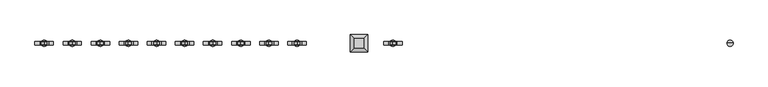
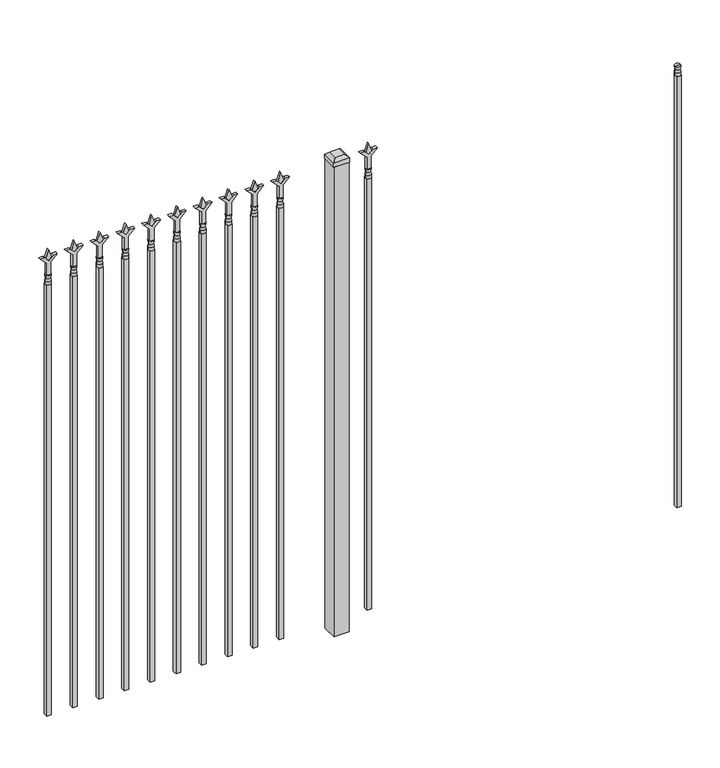
"""IFC4 building model written with IfcOpenShell, lengths in millimetres: railing geometry."""

from ifc_helpers import new_model, si_unit, frame, origin, origin_with_axes, place, context, project, spatial, polyline, circle_curve, outline, extrude, faceted_brep, source, transform, mapped, element, save
from ifc_brep_helpers import plane_surface, cylinder_surface, revolved_surface, advanced_brep


def railing_9813d6b2(model_context):
    return source(origin(), model_context, "Body", "SolidModel", [
        advanced_brep(
        [(-58315.574337, 3022.3429826, 1993.9), (-58339.386837, 3022.3429826, 1993.9), (-58339.386837, 3022.3429826, 1981.2), (-58315.574337, 3022.3429826, 1981.2), (-58317.7796688, 3022.3429826, 2006.4070585), (-58337.1815051, 3022.3429826, 2006.4070585), (-58315.574337, 3022.3429826, 2022.475), (-58339.386837, 3022.3429826, 2022.475), (-58327.480587, 3022.3429826, 2022.475), (-58327.480587, 3022.3429826, 1981.2)],
        [
            (0, 1, circle_curve(frame((-58327.480587, 3022.3429826, 1993.9), z_axis=(0.0, 0.0, -1.0), x_axis=(-1.0, 0.0, 0.0)), 11.90625)),
            (1, 2),
            (2, 3, circle_curve(frame((-58327.480587, 3022.3429826, 1981.2), z_axis=(0.0, 0.0, 1.0), x_axis=(-1.0, 0.0, 0.0)), 11.90625)),
            (3, 0),
            (1, 0, circle_curve(frame((-58327.480587, 3022.3429826, 1993.9), z_axis=(0.0, 0.0, -1.0), x_axis=(-1.0, 0.0, 0.0)), 11.90625)),
            (3, 2, circle_curve(frame((-58327.480587, 3022.3429826, 1981.2), z_axis=(0.0, 0.0, 1.0), x_axis=(-1.0, 0.0, 0.0)), 11.90625)),
            (4, 5, circle_curve(frame((-58327.480587, 3022.3429826, 2006.4070585), z_axis=(0.0, 0.0, -1.0), x_axis=(-1.0, 0.0, 0.0)), 9.7009181)),
            (5, 1),
            (0, 4),
            (5, 4, circle_curve(frame((-58327.480587, 3022.3429826, 2006.4070585), z_axis=(0.0, 0.0, -1.0), x_axis=(-1.0, 0.0, 0.0)), 9.7009181)),
            (6, 7, circle_curve(frame((-58327.480587, 3022.3429826, 2022.475), z_axis=(0.0, 0.0, -1.0), x_axis=(-1.0, 0.0, 0.0)), 11.90625)),
            (7, 5),
            (4, 6),
            (7, 6, circle_curve(frame((-58327.480587, 3022.3429826, 2022.475), z_axis=(0.0, 0.0, -1.0), x_axis=(-1.0, 0.0, 0.0)), 11.90625)),
            (8, 7),
            (6, 8),
            (2, 9),
            (9, 3),
        ],
        [
            cylinder_surface(frame((-58327.480587, 3022.3429826, 1981.2), z_axis=(0.0, 0.0, 1.0), x_axis=(-1.0, 0.0, 0.0)), 11.90625),
            revolved_surface(polyline([(-58339.386837, 3022.3429826, 1993.9), (-58337.1815051, 3022.3429826, 2006.4070585)]), (-58327.480587, 3022.3429826, 1981.2), (0.0, 0.0, 1.0)),
            revolved_surface(polyline([(-58337.1815051, 3022.3429826, 2006.4070585), (-58339.386837, 3022.3429826, 2022.475)]), (-58327.480587, 3022.3429826, 1981.2), (0.0, 0.0, 1.0)),
            plane_surface(frame((-58327.480587, 3022.3429826, 2022.475), z_axis=(0.0, 0.0, 1.0), x_axis=(-1.0, 0.0, 0.0))),
            plane_surface(frame((-58327.480587, 3022.3429826, 1981.2), z_axis=(0.0, 0.0, -1.0), x_axis=(-1.0, 0.0, 0.0))),
        ],
        [
            (0, [[1, 2, 3, 4]]),
            (0, [[5, -4, 6, -2]]),
            (1, [[7, 8, -1, 9]]),
            (1, [[10, -9, -5, -8]]),
            (2, [[11, 12, -7, 13]]),
            (2, [[14, -13, -10, -12]]),
            (3, [[15, -11, 16]]),
            (3, [[-16, -14, -15]]),
            (4, [[-3, 17, 18]]),
            (4, [[-6, -18, -17]]),
        ],
    ),
        extrude(outline(polyline([(-58337.005587, 3031.8679826), (-58317.955587, 3031.8679826), (-58317.955587, 3012.8179826), (-58337.005587, 3012.8179826), (-58337.005587, 3031.8679826)])), frame((0.0, 0.0, 50.8), z_axis=(0.0, 0.0, 1.0), x_axis=(1.0, 0.0, 0.0)), (0.0, 0.0, 1.0), 1930.4),
        extrude(outline(polyline([(2097.88125, -59626.849337), (2133.6, -59638.755587), (2097.88125, -59650.661837), (2085.975, -59638.755587), (2097.88125, -59626.849337)])), frame((0.0, 3017.5804826, 0.0), z_axis=(0.0, 1.0, 0.0), x_axis=(0.0, 0.0, 1.0)), (0.0, 0.0, 1.0), 9.525),
        extrude(outline(polyline([(2022.475, -59630.024337), (2076.7457378, -59630.024337), (2103.9355122, -59602.8345625), (2103.9355122, -59620.7950747), (2085.975, -59638.755587), (2103.9355122, -59656.7160992), (2103.9355122, -59674.6766114), (2076.7457378, -59647.486837), (2022.475, -59647.486837), (2022.475, -59630.024337)])), frame((0.0, 3015.9929826, 0.0), z_axis=(0.0, 1.0, 0.0), x_axis=(0.0, 0.0, 1.0)), (0.0, 0.0, 1.0), 12.7),
        advanced_brep(
        [(-59626.849337, 3022.3429826, 1993.9), (-59650.661837, 3022.3429826, 1993.9), (-59650.661837, 3022.3429826, 1981.2), (-59626.849337, 3022.3429826, 1981.2), (-59629.0546688, 3022.3429826, 2006.4070585), (-59648.4565051, 3022.3429826, 2006.4070585), (-59626.849337, 3022.3429826, 2022.475), (-59650.661837, 3022.3429826, 2022.475), (-59638.755587, 3022.3429826, 2022.475), (-59638.755587, 3022.3429826, 1981.2)],
        [
            (0, 1, circle_curve(frame((-59638.755587, 3022.3429826, 1993.9), z_axis=(0.0, 0.0, -1.0), x_axis=(-1.0, 0.0, 0.0)), 11.90625)),
            (1, 2),
            (2, 3, circle_curve(frame((-59638.755587, 3022.3429826, 1981.2), z_axis=(0.0, 0.0, 1.0), x_axis=(-1.0, 0.0, 0.0)), 11.90625)),
            (3, 0),
            (1, 0, circle_curve(frame((-59638.755587, 3022.3429826, 1993.9), z_axis=(0.0, 0.0, -1.0), x_axis=(-1.0, 0.0, 0.0)), 11.90625)),
            (3, 2, circle_curve(frame((-59638.755587, 3022.3429826, 1981.2), z_axis=(0.0, 0.0, 1.0), x_axis=(-1.0, 0.0, 0.0)), 11.90625)),
            (4, 5, circle_curve(frame((-59638.755587, 3022.3429826, 2006.4070585), z_axis=(0.0, 0.0, -1.0), x_axis=(-1.0, 0.0, 0.0)), 9.7009181)),
            (5, 1),
            (0, 4),
            (5, 4, circle_curve(frame((-59638.755587, 3022.3429826, 2006.4070585), z_axis=(0.0, 0.0, -1.0), x_axis=(-1.0, 0.0, 0.0)), 9.7009181)),
            (6, 7, circle_curve(frame((-59638.755587, 3022.3429826, 2022.475), z_axis=(0.0, 0.0, -1.0), x_axis=(-1.0, 0.0, 0.0)), 11.90625)),
            (7, 5),
            (4, 6),
            (7, 6, circle_curve(frame((-59638.755587, 3022.3429826, 2022.475), z_axis=(0.0, 0.0, -1.0), x_axis=(-1.0, 0.0, 0.0)), 11.90625)),
            (8, 7),
            (6, 8),
            (2, 9),
            (9, 3),
        ],
        [
            cylinder_surface(frame((-59638.755587, 3022.3429826, 1981.2), z_axis=(0.0, 0.0, 1.0), x_axis=(-1.0, 0.0, 0.0)), 11.90625),
            revolved_surface(polyline([(-59650.661837, 3022.3429826, 1993.9), (-59648.4565051, 3022.3429826, 2006.4070585)]), (-59638.755587, 3022.3429826, 1981.2), (0.0, 0.0, 1.0)),
            revolved_surface(polyline([(-59648.4565051, 3022.3429826, 2006.4070585), (-59650.661837, 3022.3429826, 2022.475)]), (-59638.755587, 3022.3429826, 1981.2), (0.0, 0.0, 1.0)),
            plane_surface(frame((-59638.755587, 3022.3429826, 2022.475), z_axis=(0.0, 0.0, 1.0), x_axis=(-1.0, 0.0, 0.0))),
            plane_surface(frame((-59638.755587, 3022.3429826, 1981.2), z_axis=(0.0, 0.0, -1.0), x_axis=(-1.0, 0.0, 0.0))),
        ],
        [
            (0, [[1, 2, 3, 4]]),
            (0, [[5, -4, 6, -2]]),
            (1, [[7, 8, -1, 9]]),
            (1, [[10, -9, -5, -8]]),
            (2, [[11, 12, -7, 13]]),
            (2, [[14, -13, -10, -12]]),
            (3, [[15, -11, 16]]),
            (3, [[-16, -14, -15]]),
            (4, [[-3, 17, 18]]),
            (4, [[-6, -18, -17]]),
        ],
    ),
        extrude(outline(polyline([(-59648.280587, 3031.8679826), (-59629.230587, 3031.8679826), (-59629.230587, 3012.8179826), (-59648.280587, 3012.8179826), (-59648.280587, 3031.8679826)])), frame((0.0, 0.0, 50.8), z_axis=(0.0, 0.0, 1.0), x_axis=(1.0, 0.0, 0.0)), (0.0, 0.0, 1.0), 1930.4),
        extrude(outline(polyline([(-59738.768087, 3054.0929826), (-59738.768087, 2990.5929826), (-59802.268087, 2990.5929826), (-59802.268087, 3054.0929826), (-59738.768087, 3054.0929826)])), origin_with_axes(), (0.0, 0.0, 1.0), 2101.85),
        faceted_brep([(-59803.855587, 3055.6804826, 2120.9), (-59803.855587, 3055.6804826, 2101.85), (-59803.855587, 2989.0054826, 2101.85), (-59803.855587, 2989.0054826, 2120.9), (-59791.155587, 3042.9804826, 2133.6), (-59791.155587, 3001.7054826, 2133.6), (-59737.180587, 2989.0054826, 2101.85), (-59737.180587, 2989.0054826, 2120.9), (-59749.880587, 3001.7054826, 2133.6), (-59737.180587, 3055.6804826, 2101.85), (-59737.180587, 3055.6804826, 2120.9), (-59749.880587, 3042.9804826, 2133.6)], [[[0, 1, 2, 3]], [[4, 0, 3, 5]], [[3, 2, 6, 7]], [[5, 3, 7, 8]], [[7, 6, 9, 10]], [[8, 7, 10, 11]], [[10, 9, 1, 0]], [[11, 10, 0, 4]], [[5, 8, 11, 4]], [[1, 9, 6, 2]]]),
        extrude(outline(polyline([(2097.88125, -59999.6472536), (2133.6, -60011.5535036), (2097.88125, -60023.4597536), (2085.975, -60011.5535036), (2097.88125, -59999.6472536)])), frame((0.0, 3017.5804826, 0.0), z_axis=(0.0, 1.0, 0.0), x_axis=(0.0, 0.0, 1.0)), (0.0, 0.0, 1.0), 9.525),
        extrude(outline(polyline([(2022.475, -60002.8222536), (2076.7457378, -60002.8222536), (2103.9355122, -59975.6324791), (2103.9355122, -59993.5929914), (2085.975, -60011.5535036), (2103.9355122, -60029.5140159), (2103.9355122, -60047.4745281), (2076.7457378, -60020.2847536), (2022.475, -60020.2847536), (2022.475, -60002.8222536)])), frame((0.0, 3015.9929826, 0.0), z_axis=(0.0, 1.0, 0.0), x_axis=(0.0, 0.0, 1.0)), (0.0, 0.0, 1.0), 12.7),
        advanced_brep(
        [(-59999.6472536, 3022.3429826, 1993.9), (-60023.4597536, 3022.3429826, 1993.9), (-60023.4597536, 3022.3429826, 1981.2), (-59999.6472536, 3022.3429826, 1981.2), (-60001.8525855, 3022.3429826, 2006.4070585), (-60021.2544218, 3022.3429826, 2006.4070585), (-59999.6472536, 3022.3429826, 2022.475), (-60023.4597536, 3022.3429826, 2022.475), (-60011.5535036, 3022.3429826, 2022.475), (-60011.5535036, 3022.3429826, 1981.2)],
        [
            (0, 1, circle_curve(frame((-60011.5535036, 3022.3429826, 1993.9), z_axis=(0.0, 0.0, -1.0), x_axis=(-1.0, 0.0, 0.0)), 11.90625)),
            (1, 2),
            (2, 3, circle_curve(frame((-60011.5535036, 3022.3429826, 1981.2), z_axis=(0.0, 0.0, 1.0), x_axis=(-1.0, 0.0, 0.0)), 11.90625)),
            (3, 0),
            (1, 0, circle_curve(frame((-60011.5535036, 3022.3429826, 1993.9), z_axis=(0.0, 0.0, -1.0), x_axis=(-1.0, 0.0, 0.0)), 11.90625)),
            (3, 2, circle_curve(frame((-60011.5535036, 3022.3429826, 1981.2), z_axis=(0.0, 0.0, 1.0), x_axis=(-1.0, 0.0, 0.0)), 11.90625)),
            (4, 5, circle_curve(frame((-60011.5535036, 3022.3429826, 2006.4070585), z_axis=(0.0, 0.0, -1.0), x_axis=(-1.0, 0.0, 0.0)), 9.7009181)),
            (5, 1),
            (0, 4),
            (5, 4, circle_curve(frame((-60011.5535036, 3022.3429826, 2006.4070585), z_axis=(0.0, 0.0, -1.0), x_axis=(-1.0, 0.0, 0.0)), 9.7009181)),
            (6, 7, circle_curve(frame((-60011.5535036, 3022.3429826, 2022.475), z_axis=(0.0, 0.0, -1.0), x_axis=(-1.0, 0.0, 0.0)), 11.90625)),
            (7, 5),
            (4, 6),
            (7, 6, circle_curve(frame((-60011.5535036, 3022.3429826, 2022.475), z_axis=(0.0, 0.0, -1.0), x_axis=(-1.0, 0.0, 0.0)), 11.90625)),
            (8, 7),
            (6, 8),
            (2, 9),
            (9, 3),
        ],
        [
            cylinder_surface(frame((-60011.5535036, 3022.3429826, 1981.2), z_axis=(0.0, 0.0, 1.0), x_axis=(-1.0, 0.0, 0.0)), 11.90625),
            revolved_surface(polyline([(-60023.4597536, 3022.3429826, 1993.9), (-60021.2544218, 3022.3429826, 2006.4070585)]), (-60011.5535036, 3022.3429826, 1981.2), (0.0, 0.0, 1.0)),
            revolved_surface(polyline([(-60021.2544218, 3022.3429826, 2006.4070585), (-60023.4597536, 3022.3429826, 2022.475)]), (-60011.5535036, 3022.3429826, 1981.2), (0.0, 0.0, 1.0)),
            plane_surface(frame((-60011.5535036, 3022.3429826, 2022.475), z_axis=(0.0, 0.0, 1.0), x_axis=(-1.0, 0.0, 0.0))),
            plane_surface(frame((-60011.5535036, 3022.3429826, 1981.2), z_axis=(0.0, 0.0, -1.0), x_axis=(-1.0, 0.0, 0.0))),
        ],
        [
            (0, [[1, 2, 3, 4]]),
            (0, [[5, -4, 6, -2]]),
            (1, [[7, 8, -1, 9]]),
            (1, [[10, -9, -5, -8]]),
            (2, [[11, 12, -7, 13]]),
            (2, [[14, -13, -10, -12]]),
            (3, [[15, -11, 16]]),
            (3, [[-16, -14, -15]]),
            (4, [[-3, 17, 18]]),
            (4, [[-6, -18, -17]]),
        ],
    ),
        extrude(outline(polyline([(-60021.0785036, 3031.8679826), (-60002.0285036, 3031.8679826), (-60002.0285036, 3012.8179826), (-60021.0785036, 3012.8179826), (-60021.0785036, 3031.8679826)])), frame((0.0, 0.0, 50.8), z_axis=(0.0, 0.0, 1.0), x_axis=(1.0, 0.0, 0.0)), (0.0, 0.0, 1.0), 1930.4),
        extrude(outline(polyline([(2097.88125, -60108.9201703), (2133.6, -60120.8264203), (2097.88125, -60132.7326703), (2085.975, -60120.8264203), (2097.88125, -60108.9201703)])), frame((0.0, 3017.5804826, 0.0), z_axis=(0.0, 1.0, 0.0), x_axis=(0.0, 0.0, 1.0)), (0.0, 0.0, 1.0), 9.525),
        extrude(outline(polyline([(2022.475, -60112.0951703), (2076.7457378, -60112.0951703), (2103.9355122, -60084.9053958), (2103.9355122, -60102.8659081), (2085.975, -60120.8264203), (2103.9355122, -60138.7869325), (2103.9355122, -60156.7474448), (2076.7457378, -60129.5576703), (2022.475, -60129.5576703), (2022.475, -60112.0951703)])), frame((0.0, 3015.9929826, 0.0), z_axis=(0.0, 1.0, 0.0), x_axis=(0.0, 0.0, 1.0)), (0.0, 0.0, 1.0), 12.7),
        advanced_brep(
        [(-60108.9201703, 3022.3429826, 1993.9), (-60132.7326703, 3022.3429826, 1993.9), (-60132.7326703, 3022.3429826, 1981.2), (-60108.9201703, 3022.3429826, 1981.2), (-60111.1255022, 3022.3429826, 2006.4070585), (-60130.5273384, 3022.3429826, 2006.4070585), (-60108.9201703, 3022.3429826, 2022.475), (-60132.7326703, 3022.3429826, 2022.475), (-60120.8264203, 3022.3429826, 2022.475), (-60120.8264203, 3022.3429826, 1981.2)],
        [
            (0, 1, circle_curve(frame((-60120.8264203, 3022.3429826, 1993.9), z_axis=(0.0, 0.0, -1.0), x_axis=(-1.0, 0.0, 0.0)), 11.90625)),
            (1, 2),
            (2, 3, circle_curve(frame((-60120.8264203, 3022.3429826, 1981.2), z_axis=(0.0, 0.0, 1.0), x_axis=(-1.0, 0.0, 0.0)), 11.90625)),
            (3, 0),
            (1, 0, circle_curve(frame((-60120.8264203, 3022.3429826, 1993.9), z_axis=(0.0, 0.0, -1.0), x_axis=(-1.0, 0.0, 0.0)), 11.90625)),
            (3, 2, circle_curve(frame((-60120.8264203, 3022.3429826, 1981.2), z_axis=(0.0, 0.0, 1.0), x_axis=(-1.0, 0.0, 0.0)), 11.90625)),
            (4, 5, circle_curve(frame((-60120.8264203, 3022.3429826, 2006.4070585), z_axis=(0.0, 0.0, -1.0), x_axis=(-1.0, 0.0, 0.0)), 9.7009181)),
            (5, 1),
            (0, 4),
            (5, 4, circle_curve(frame((-60120.8264203, 3022.3429826, 2006.4070585), z_axis=(0.0, 0.0, -1.0), x_axis=(-1.0, 0.0, 0.0)), 9.7009181)),
            (6, 7, circle_curve(frame((-60120.8264203, 3022.3429826, 2022.475), z_axis=(0.0, 0.0, -1.0), x_axis=(-1.0, 0.0, 0.0)), 11.90625)),
            (7, 5),
            (4, 6),
            (7, 6, circle_curve(frame((-60120.8264203, 3022.3429826, 2022.475), z_axis=(0.0, 0.0, -1.0), x_axis=(-1.0, 0.0, 0.0)), 11.90625)),
            (8, 7),
            (6, 8),
            (2, 9),
            (9, 3),
        ],
        [
            cylinder_surface(frame((-60120.8264203, 3022.3429826, 1981.2), z_axis=(0.0, 0.0, 1.0), x_axis=(-1.0, 0.0, 0.0)), 11.90625),
            revolved_surface(polyline([(-60132.7326703, 3022.3429826, 1993.9), (-60130.5273384, 3022.3429826, 2006.4070585)]), (-60120.8264203, 3022.3429826, 1981.2), (0.0, 0.0, 1.0)),
            revolved_surface(polyline([(-60130.5273384, 3022.3429826, 2006.4070585), (-60132.7326703, 3022.3429826, 2022.475)]), (-60120.8264203, 3022.3429826, 1981.2), (0.0, 0.0, 1.0)),
            plane_surface(frame((-60120.8264203, 3022.3429826, 2022.475), z_axis=(0.0, 0.0, 1.0), x_axis=(-1.0, 0.0, 0.0))),
            plane_surface(frame((-60120.8264203, 3022.3429826, 1981.2), z_axis=(0.0, 0.0, -1.0), x_axis=(-1.0, 0.0, 0.0))),
        ],
        [
            (0, [[1, 2, 3, 4]]),
            (0, [[5, -4, 6, -2]]),
            (1, [[7, 8, -1, 9]]),
            (1, [[10, -9, -5, -8]]),
            (2, [[11, 12, -7, 13]]),
            (2, [[14, -13, -10, -12]]),
            (3, [[15, -11, 16]]),
            (3, [[-16, -14, -15]]),
            (4, [[-3, 17, 18]]),
            (4, [[-6, -18, -17]]),
        ],
    ),
        extrude(outline(polyline([(-60130.3514203, 3031.8679826), (-60111.3014203, 3031.8679826), (-60111.3014203, 3012.8179826), (-60130.3514203, 3012.8179826), (-60130.3514203, 3031.8679826)])), frame((0.0, 0.0, 50.8), z_axis=(0.0, 0.0, 1.0), x_axis=(1.0, 0.0, 0.0)), (0.0, 0.0, 1.0), 1930.4),
        extrude(outline(polyline([(2097.88125, -60218.193087), (2133.6, -60230.099337), (2097.88125, -60242.005587), (2085.975, -60230.099337), (2097.88125, -60218.193087)])), frame((0.0, 3017.5804826, 0.0), z_axis=(0.0, 1.0, 0.0), x_axis=(0.0, 0.0, 1.0)), (0.0, 0.0, 1.0), 9.525),
        extrude(outline(polyline([(2022.475, -60221.368087), (2076.7457378, -60221.368087), (2103.9355122, -60194.1783125), (2103.9355122, -60212.1388247), (2085.975, -60230.099337), (2103.9355122, -60248.0598492), (2103.9355122, -60266.0203614), (2076.7457378, -60238.830587), (2022.475, -60238.830587), (2022.475, -60221.368087)])), frame((0.0, 3015.9929826, 0.0), z_axis=(0.0, 1.0, 0.0), x_axis=(0.0, 0.0, 1.0)), (0.0, 0.0, 1.0), 12.7),
        advanced_brep(
        [(-60218.193087, 3022.3429826, 1993.9), (-60242.005587, 3022.3429826, 1993.9), (-60242.005587, 3022.3429826, 1981.2), (-60218.193087, 3022.3429826, 1981.2), (-60220.3984188, 3022.3429826, 2006.4070585), (-60239.8002551, 3022.3429826, 2006.4070585), (-60218.193087, 3022.3429826, 2022.475), (-60242.005587, 3022.3429826, 2022.475), (-60230.099337, 3022.3429826, 2022.475), (-60230.099337, 3022.3429826, 1981.2)],
        [
            (0, 1, circle_curve(frame((-60230.099337, 3022.3429826, 1993.9), z_axis=(0.0, 0.0, -1.0), x_axis=(-1.0, 0.0, 0.0)), 11.90625)),
            (1, 2),
            (2, 3, circle_curve(frame((-60230.099337, 3022.3429826, 1981.2), z_axis=(0.0, 0.0, 1.0), x_axis=(-1.0, 0.0, 0.0)), 11.90625)),
            (3, 0),
            (1, 0, circle_curve(frame((-60230.099337, 3022.3429826, 1993.9), z_axis=(0.0, 0.0, -1.0), x_axis=(-1.0, 0.0, 0.0)), 11.90625)),
            (3, 2, circle_curve(frame((-60230.099337, 3022.3429826, 1981.2), z_axis=(0.0, 0.0, 1.0), x_axis=(-1.0, 0.0, 0.0)), 11.90625)),
            (4, 5, circle_curve(frame((-60230.099337, 3022.3429826, 2006.4070585), z_axis=(0.0, 0.0, -1.0), x_axis=(-1.0, 0.0, 0.0)), 9.7009181)),
            (5, 1),
            (0, 4),
            (5, 4, circle_curve(frame((-60230.099337, 3022.3429826, 2006.4070585), z_axis=(0.0, 0.0, -1.0), x_axis=(-1.0, 0.0, 0.0)), 9.7009181)),
            (6, 7, circle_curve(frame((-60230.099337, 3022.3429826, 2022.475), z_axis=(0.0, 0.0, -1.0), x_axis=(-1.0, 0.0, 0.0)), 11.90625)),
            (7, 5),
            (4, 6),
            (7, 6, circle_curve(frame((-60230.099337, 3022.3429826, 2022.475), z_axis=(0.0, 0.0, -1.0), x_axis=(-1.0, 0.0, 0.0)), 11.90625)),
            (8, 7),
            (6, 8),
            (2, 9),
            (9, 3),
        ],
        [
            cylinder_surface(frame((-60230.099337, 3022.3429826, 1981.2), z_axis=(0.0, 0.0, 1.0), x_axis=(-1.0, 0.0, 0.0)), 11.90625),
            revolved_surface(polyline([(-60242.005587, 3022.3429826, 1993.9), (-60239.8002551, 3022.3429826, 2006.4070585)]), (-60230.099337, 3022.3429826, 1981.2), (0.0, 0.0, 1.0)),
            revolved_surface(polyline([(-60239.8002551, 3022.3429826, 2006.4070585), (-60242.005587, 3022.3429826, 2022.475)]), (-60230.099337, 3022.3429826, 1981.2), (0.0, 0.0, 1.0)),
            plane_surface(frame((-60230.099337, 3022.3429826, 2022.475), z_axis=(0.0, 0.0, 1.0), x_axis=(-1.0, 0.0, 0.0))),
            plane_surface(frame((-60230.099337, 3022.3429826, 1981.2), z_axis=(0.0, 0.0, -1.0), x_axis=(-1.0, 0.0, 0.0))),
        ],
        [
            (0, [[1, 2, 3, 4]]),
            (0, [[5, -4, 6, -2]]),
            (1, [[7, 8, -1, 9]]),
            (1, [[10, -9, -5, -8]]),
            (2, [[11, 12, -7, 13]]),
            (2, [[14, -13, -10, -12]]),
            (3, [[15, -11, 16]]),
            (3, [[-16, -14, -15]]),
            (4, [[-3, 17, 18]]),
            (4, [[-6, -18, -17]]),
        ],
    ),
        extrude(outline(polyline([(-60239.624337, 3031.8679826), (-60220.574337, 3031.8679826), (-60220.574337, 3012.8179826), (-60239.624337, 3012.8179826), (-60239.624337, 3031.8679826)])), frame((0.0, 0.0, 50.8), z_axis=(0.0, 0.0, 1.0), x_axis=(1.0, 0.0, 0.0)), (0.0, 0.0, 1.0), 1930.4),
        extrude(outline(polyline([(2097.88125, -60327.4660036), (2133.6, -60339.3722536), (2097.88125, -60351.2785036), (2085.975, -60339.3722536), (2097.88125, -60327.4660036)])), frame((0.0, 3017.5804826, 0.0), z_axis=(0.0, 1.0, 0.0), x_axis=(0.0, 0.0, 1.0)), (0.0, 0.0, 1.0), 9.525),
        extrude(outline(polyline([(2022.475, -60330.6410036), (2076.7457378, -60330.6410036), (2103.9355122, -60303.4512291), (2103.9355122, -60321.4117414), (2085.975, -60339.3722536), (2103.9355122, -60357.3327659), (2103.9355122, -60375.2932781), (2076.7457378, -60348.1035036), (2022.475, -60348.1035036), (2022.475, -60330.6410036)])), frame((0.0, 3015.9929826, 0.0), z_axis=(0.0, 1.0, 0.0), x_axis=(0.0, 0.0, 1.0)), (0.0, 0.0, 1.0), 12.7),
        advanced_brep(
        [(-60327.4660036, 3022.3429826, 1993.9), (-60351.2785036, 3022.3429826, 1993.9), (-60351.2785036, 3022.3429826, 1981.2), (-60327.4660036, 3022.3429826, 1981.2), (-60329.6713355, 3022.3429826, 2006.4070585), (-60349.0731718, 3022.3429826, 2006.4070585), (-60327.4660036, 3022.3429826, 2022.475), (-60351.2785036, 3022.3429826, 2022.475), (-60339.3722536, 3022.3429826, 2022.475), (-60339.3722536, 3022.3429826, 1981.2)],
        [
            (0, 1, circle_curve(frame((-60339.3722536, 3022.3429826, 1993.9), z_axis=(0.0, 0.0, -1.0), x_axis=(-1.0, 0.0, 0.0)), 11.90625)),
            (1, 2),
            (2, 3, circle_curve(frame((-60339.3722536, 3022.3429826, 1981.2), z_axis=(0.0, 0.0, 1.0), x_axis=(-1.0, 0.0, 0.0)), 11.90625)),
            (3, 0),
            (1, 0, circle_curve(frame((-60339.3722536, 3022.3429826, 1993.9), z_axis=(0.0, 0.0, -1.0), x_axis=(-1.0, 0.0, 0.0)), 11.90625)),
            (3, 2, circle_curve(frame((-60339.3722536, 3022.3429826, 1981.2), z_axis=(0.0, 0.0, 1.0), x_axis=(-1.0, 0.0, 0.0)), 11.90625)),
            (4, 5, circle_curve(frame((-60339.3722536, 3022.3429826, 2006.4070585), z_axis=(0.0, 0.0, -1.0), x_axis=(-1.0, 0.0, 0.0)), 9.7009181)),
            (5, 1),
            (0, 4),
            (5, 4, circle_curve(frame((-60339.3722536, 3022.3429826, 2006.4070585), z_axis=(0.0, 0.0, -1.0), x_axis=(-1.0, 0.0, 0.0)), 9.7009181)),
            (6, 7, circle_curve(frame((-60339.3722536, 3022.3429826, 2022.475), z_axis=(0.0, 0.0, -1.0), x_axis=(-1.0, 0.0, 0.0)), 11.90625)),
            (7, 5),
            (4, 6),
            (7, 6, circle_curve(frame((-60339.3722536, 3022.3429826, 2022.475), z_axis=(0.0, 0.0, -1.0), x_axis=(-1.0, 0.0, 0.0)), 11.90625)),
            (8, 7),
            (6, 8),
            (2, 9),
            (9, 3),
        ],
        [
            cylinder_surface(frame((-60339.3722536, 3022.3429826, 1981.2), z_axis=(0.0, 0.0, 1.0), x_axis=(-1.0, 0.0, 0.0)), 11.90625),
            revolved_surface(polyline([(-60351.2785036, 3022.3429826, 1993.9), (-60349.0731718, 3022.3429826, 2006.4070585)]), (-60339.3722536, 3022.3429826, 1981.2), (0.0, 0.0, 1.0)),
            revolved_surface(polyline([(-60349.0731718, 3022.3429826, 2006.4070585), (-60351.2785036, 3022.3429826, 2022.475)]), (-60339.3722536, 3022.3429826, 1981.2), (0.0, 0.0, 1.0)),
            plane_surface(frame((-60339.3722536, 3022.3429826, 2022.475), z_axis=(0.0, 0.0, 1.0), x_axis=(-1.0, 0.0, 0.0))),
            plane_surface(frame((-60339.3722536, 3022.3429826, 1981.2), z_axis=(0.0, 0.0, -1.0), x_axis=(-1.0, 0.0, 0.0))),
        ],
        [
            (0, [[1, 2, 3, 4]]),
            (0, [[5, -4, 6, -2]]),
            (1, [[7, 8, -1, 9]]),
            (1, [[10, -9, -5, -8]]),
            (2, [[11, 12, -7, 13]]),
            (2, [[14, -13, -10, -12]]),
            (3, [[15, -11, 16]]),
            (3, [[-16, -14, -15]]),
            (4, [[-3, 17, 18]]),
            (4, [[-6, -18, -17]]),
        ],
    ),
        extrude(outline(polyline([(-60348.8972536, 3031.8679826), (-60329.8472536, 3031.8679826), (-60329.8472536, 3012.8179826), (-60348.8972536, 3012.8179826), (-60348.8972536, 3031.8679826)])), frame((0.0, 0.0, 50.8), z_axis=(0.0, 0.0, 1.0), x_axis=(1.0, 0.0, 0.0)), (0.0, 0.0, 1.0), 1930.4),
        extrude(outline(polyline([(2097.88125, -60436.7389203), (2133.6, -60448.6451703), (2097.88125, -60460.5514203), (2085.975, -60448.6451703), (2097.88125, -60436.7389203)])), frame((0.0, 3017.5804826, 0.0), z_axis=(0.0, 1.0, 0.0), x_axis=(0.0, 0.0, 1.0)), (0.0, 0.0, 1.0), 9.525),
        extrude(outline(polyline([(2022.475, -60439.9139203), (2076.7457378, -60439.9139203), (2103.9355122, -60412.7241458), (2103.9355122, -60430.6846581), (2085.975, -60448.6451703), (2103.9355122, -60466.6056825), (2103.9355122, -60484.5661948), (2076.7457378, -60457.3764203), (2022.475, -60457.3764203), (2022.475, -60439.9139203)])), frame((0.0, 3015.9929826, 0.0), z_axis=(0.0, 1.0, 0.0), x_axis=(0.0, 0.0, 1.0)), (0.0, 0.0, 1.0), 12.7),
        advanced_brep(
        [(-60436.7389203, 3022.3429826, 1993.9), (-60460.5514203, 3022.3429826, 1993.9), (-60460.5514203, 3022.3429826, 1981.2), (-60436.7389203, 3022.3429826, 1981.2), (-60438.9442522, 3022.3429826, 2006.4070585), (-60458.3460884, 3022.3429826, 2006.4070585), (-60436.7389203, 3022.3429826, 2022.475), (-60460.5514203, 3022.3429826, 2022.475), (-60448.6451703, 3022.3429826, 2022.475), (-60448.6451703, 3022.3429826, 1981.2)],
        [
            (0, 1, circle_curve(frame((-60448.6451703, 3022.3429826, 1993.9), z_axis=(0.0, 0.0, -1.0), x_axis=(-1.0, 0.0, 0.0)), 11.90625)),
            (1, 2),
            (2, 3, circle_curve(frame((-60448.6451703, 3022.3429826, 1981.2), z_axis=(0.0, 0.0, 1.0), x_axis=(-1.0, 0.0, 0.0)), 11.90625)),
            (3, 0),
            (1, 0, circle_curve(frame((-60448.6451703, 3022.3429826, 1993.9), z_axis=(0.0, 0.0, -1.0), x_axis=(-1.0, 0.0, 0.0)), 11.90625)),
            (3, 2, circle_curve(frame((-60448.6451703, 3022.3429826, 1981.2), z_axis=(0.0, 0.0, 1.0), x_axis=(-1.0, 0.0, 0.0)), 11.90625)),
            (4, 5, circle_curve(frame((-60448.6451703, 3022.3429826, 2006.4070585), z_axis=(0.0, 0.0, -1.0), x_axis=(-1.0, 0.0, 0.0)), 9.7009181)),
            (5, 1),
            (0, 4),
            (5, 4, circle_curve(frame((-60448.6451703, 3022.3429826, 2006.4070585), z_axis=(0.0, 0.0, -1.0), x_axis=(-1.0, 0.0, 0.0)), 9.7009181)),
            (6, 7, circle_curve(frame((-60448.6451703, 3022.3429826, 2022.475), z_axis=(0.0, 0.0, -1.0), x_axis=(-1.0, 0.0, 0.0)), 11.90625)),
            (7, 5),
            (4, 6),
            (7, 6, circle_curve(frame((-60448.6451703, 3022.3429826, 2022.475), z_axis=(0.0, 0.0, -1.0), x_axis=(-1.0, 0.0, 0.0)), 11.90625)),
            (8, 7),
            (6, 8),
            (2, 9),
            (9, 3),
        ],
        [
            cylinder_surface(frame((-60448.6451703, 3022.3429826, 1981.2), z_axis=(0.0, 0.0, 1.0), x_axis=(-1.0, 0.0, 0.0)), 11.90625),
            revolved_surface(polyline([(-60460.5514203, 3022.3429826, 1993.9), (-60458.3460884, 3022.3429826, 2006.4070585)]), (-60448.6451703, 3022.3429826, 1981.2), (0.0, 0.0, 1.0)),
            revolved_surface(polyline([(-60458.3460884, 3022.3429826, 2006.4070585), (-60460.5514203, 3022.3429826, 2022.475)]), (-60448.6451703, 3022.3429826, 1981.2), (0.0, 0.0, 1.0)),
            plane_surface(frame((-60448.6451703, 3022.3429826, 2022.475), z_axis=(0.0, 0.0, 1.0), x_axis=(-1.0, 0.0, 0.0))),
            plane_surface(frame((-60448.6451703, 3022.3429826, 1981.2), z_axis=(0.0, 0.0, -1.0), x_axis=(-1.0, 0.0, 0.0))),
        ],
        [
            (0, [[1, 2, 3, 4]]),
            (0, [[5, -4, 6, -2]]),
            (1, [[7, 8, -1, 9]]),
            (1, [[10, -9, -5, -8]]),
            (2, [[11, 12, -7, 13]]),
            (2, [[14, -13, -10, -12]]),
            (3, [[15, -11, 16]]),
            (3, [[-16, -14, -15]]),
            (4, [[-3, 17, 18]]),
            (4, [[-6, -18, -17]]),
        ],
    ),
        extrude(outline(polyline([(-60458.1701703, 3031.8679826), (-60439.1201703, 3031.8679826), (-60439.1201703, 3012.8179826), (-60458.1701703, 3012.8179826), (-60458.1701703, 3031.8679826)])), frame((0.0, 0.0, 50.8), z_axis=(0.0, 0.0, 1.0), x_axis=(1.0, 0.0, 0.0)), (0.0, 0.0, 1.0), 1930.4),
        extrude(outline(polyline([(2097.88125, -60546.011837), (2133.6, -60557.918087), (2097.88125, -60569.824337), (2085.975, -60557.918087), (2097.88125, -60546.011837)])), frame((0.0, 3017.5804826, 0.0), z_axis=(0.0, 1.0, 0.0), x_axis=(0.0, 0.0, 1.0)), (0.0, 0.0, 1.0), 9.525),
        extrude(outline(polyline([(2022.475, -60549.186837), (2076.7457378, -60549.186837), (2103.9355122, -60521.9970625), (2103.9355122, -60539.9575747), (2085.975, -60557.918087), (2103.9355122, -60575.8785992), (2103.9355122, -60593.8391114), (2076.7457378, -60566.649337), (2022.475, -60566.649337), (2022.475, -60549.186837)])), frame((0.0, 3015.9929826, 0.0), z_axis=(0.0, 1.0, 0.0), x_axis=(0.0, 0.0, 1.0)), (0.0, 0.0, 1.0), 12.7),
        advanced_brep(
        [(-60546.011837, 3022.3429826, 1993.9), (-60569.824337, 3022.3429826, 1993.9), (-60569.824337, 3022.3429826, 1981.2), (-60546.011837, 3022.3429826, 1981.2), (-60548.2171688, 3022.3429826, 2006.4070585), (-60567.6190051, 3022.3429826, 2006.4070585), (-60546.011837, 3022.3429826, 2022.475), (-60569.824337, 3022.3429826, 2022.475), (-60557.918087, 3022.3429826, 2022.475), (-60557.918087, 3022.3429826, 1981.2)],
        [
            (0, 1, circle_curve(frame((-60557.918087, 3022.3429826, 1993.9), z_axis=(0.0, 0.0, -1.0), x_axis=(-1.0, 0.0, 0.0)), 11.90625)),
            (1, 2),
            (2, 3, circle_curve(frame((-60557.918087, 3022.3429826, 1981.2), z_axis=(0.0, 0.0, 1.0), x_axis=(-1.0, 0.0, 0.0)), 11.90625)),
            (3, 0),
            (1, 0, circle_curve(frame((-60557.918087, 3022.3429826, 1993.9), z_axis=(0.0, 0.0, -1.0), x_axis=(-1.0, 0.0, 0.0)), 11.90625)),
            (3, 2, circle_curve(frame((-60557.918087, 3022.3429826, 1981.2), z_axis=(0.0, 0.0, 1.0), x_axis=(-1.0, 0.0, 0.0)), 11.90625)),
            (4, 5, circle_curve(frame((-60557.918087, 3022.3429826, 2006.4070585), z_axis=(0.0, 0.0, -1.0), x_axis=(-1.0, 0.0, 0.0)), 9.7009181)),
            (5, 1),
            (0, 4),
            (5, 4, circle_curve(frame((-60557.918087, 3022.3429826, 2006.4070585), z_axis=(0.0, 0.0, -1.0), x_axis=(-1.0, 0.0, 0.0)), 9.7009181)),
            (6, 7, circle_curve(frame((-60557.918087, 3022.3429826, 2022.475), z_axis=(0.0, 0.0, -1.0), x_axis=(-1.0, 0.0, 0.0)), 11.90625)),
            (7, 5),
            (4, 6),
            (7, 6, circle_curve(frame((-60557.918087, 3022.3429826, 2022.475), z_axis=(0.0, 0.0, -1.0), x_axis=(-1.0, 0.0, 0.0)), 11.90625)),
            (8, 7),
            (6, 8),
            (2, 9),
            (9, 3),
        ],
        [
            cylinder_surface(frame((-60557.918087, 3022.3429826, 1981.2), z_axis=(0.0, 0.0, 1.0), x_axis=(-1.0, 0.0, 0.0)), 11.90625),
            revolved_surface(polyline([(-60569.824337, 3022.3429826, 1993.9), (-60567.6190051, 3022.3429826, 2006.4070585)]), (-60557.918087, 3022.3429826, 1981.2), (0.0, 0.0, 1.0)),
            revolved_surface(polyline([(-60567.6190051, 3022.3429826, 2006.4070585), (-60569.824337, 3022.3429826, 2022.475)]), (-60557.918087, 3022.3429826, 1981.2), (0.0, 0.0, 1.0)),
            plane_surface(frame((-60557.918087, 3022.3429826, 2022.475), z_axis=(0.0, 0.0, 1.0), x_axis=(-1.0, 0.0, 0.0))),
            plane_surface(frame((-60557.918087, 3022.3429826, 1981.2), z_axis=(0.0, 0.0, -1.0), x_axis=(-1.0, 0.0, 0.0))),
        ],
        [
            (0, [[1, 2, 3, 4]]),
            (0, [[5, -4, 6, -2]]),
            (1, [[7, 8, -1, 9]]),
            (1, [[10, -9, -5, -8]]),
            (2, [[11, 12, -7, 13]]),
            (2, [[14, -13, -10, -12]]),
            (3, [[15, -11, 16]]),
            (3, [[-16, -14, -15]]),
            (4, [[-3, 17, 18]]),
            (4, [[-6, -18, -17]]),
        ],
    ),
        extrude(outline(polyline([(-60567.443087, 3031.8679826), (-60548.393087, 3031.8679826), (-60548.393087, 3012.8179826), (-60567.443087, 3012.8179826), (-60567.443087, 3031.8679826)])), frame((0.0, 0.0, 50.8), z_axis=(0.0, 0.0, 1.0), x_axis=(1.0, 0.0, 0.0)), (0.0, 0.0, 1.0), 1930.4),
        extrude(outline(polyline([(2097.88125, -60655.2847536), (2133.6, -60667.1910036), (2097.88125, -60679.0972536), (2085.975, -60667.1910036), (2097.88125, -60655.2847536)])), frame((0.0, 3017.5804826, 0.0), z_axis=(0.0, 1.0, 0.0), x_axis=(0.0, 0.0, 1.0)), (0.0, 0.0, 1.0), 9.525),
        extrude(outline(polyline([(2022.475, -60658.4597536), (2076.7457378, -60658.4597536), (2103.9355122, -60631.2699791), (2103.9355122, -60649.2304914), (2085.975, -60667.1910036), (2103.9355122, -60685.1515159), (2103.9355122, -60703.1120281), (2076.7457378, -60675.9222536), (2022.475, -60675.9222536), (2022.475, -60658.4597536)])), frame((0.0, 3015.9929826, 0.0), z_axis=(0.0, 1.0, 0.0), x_axis=(0.0, 0.0, 1.0)), (0.0, 0.0, 1.0), 12.7),
        advanced_brep(
        [(-60655.2847536, 3022.3429826, 1993.9), (-60679.0972536, 3022.3429826, 1993.9), (-60679.0972536, 3022.3429826, 1981.2), (-60655.2847536, 3022.3429826, 1981.2), (-60657.4900855, 3022.3429826, 2006.4070585), (-60676.8919218, 3022.3429826, 2006.4070585), (-60655.2847536, 3022.3429826, 2022.475), (-60679.0972536, 3022.3429826, 2022.475), (-60667.1910036, 3022.3429826, 2022.475), (-60667.1910036, 3022.3429826, 1981.2)],
        [
            (0, 1, circle_curve(frame((-60667.1910036, 3022.3429826, 1993.9), z_axis=(0.0, 0.0, -1.0), x_axis=(-1.0, 0.0, 0.0)), 11.90625)),
            (1, 2),
            (2, 3, circle_curve(frame((-60667.1910036, 3022.3429826, 1981.2), z_axis=(0.0, 0.0, 1.0), x_axis=(-1.0, 0.0, 0.0)), 11.90625)),
            (3, 0),
            (1, 0, circle_curve(frame((-60667.1910036, 3022.3429826, 1993.9), z_axis=(0.0, 0.0, -1.0), x_axis=(-1.0, 0.0, 0.0)), 11.90625)),
            (3, 2, circle_curve(frame((-60667.1910036, 3022.3429826, 1981.2), z_axis=(0.0, 0.0, 1.0), x_axis=(-1.0, 0.0, 0.0)), 11.90625)),
            (4, 5, circle_curve(frame((-60667.1910036, 3022.3429826, 2006.4070585), z_axis=(0.0, 0.0, -1.0), x_axis=(-1.0, 0.0, 0.0)), 9.7009181)),
            (5, 1),
            (0, 4),
            (5, 4, circle_curve(frame((-60667.1910036, 3022.3429826, 2006.4070585), z_axis=(0.0, 0.0, -1.0), x_axis=(-1.0, 0.0, 0.0)), 9.7009181)),
            (6, 7, circle_curve(frame((-60667.1910036, 3022.3429826, 2022.475), z_axis=(0.0, 0.0, -1.0), x_axis=(-1.0, 0.0, 0.0)), 11.90625)),
            (7, 5),
            (4, 6),
            (7, 6, circle_curve(frame((-60667.1910036, 3022.3429826, 2022.475), z_axis=(0.0, 0.0, -1.0), x_axis=(-1.0, 0.0, 0.0)), 11.90625)),
            (8, 7),
            (6, 8),
            (2, 9),
            (9, 3),
        ],
        [
            cylinder_surface(frame((-60667.1910036, 3022.3429826, 1981.2), z_axis=(0.0, 0.0, 1.0), x_axis=(-1.0, 0.0, 0.0)), 11.90625),
            revolved_surface(polyline([(-60679.0972536, 3022.3429826, 1993.9), (-60676.8919218, 3022.3429826, 2006.4070585)]), (-60667.1910036, 3022.3429826, 1981.2), (0.0, 0.0, 1.0)),
            revolved_surface(polyline([(-60676.8919218, 3022.3429826, 2006.4070585), (-60679.0972536, 3022.3429826, 2022.475)]), (-60667.1910036, 3022.3429826, 1981.2), (0.0, 0.0, 1.0)),
            plane_surface(frame((-60667.1910036, 3022.3429826, 2022.475), z_axis=(0.0, 0.0, 1.0), x_axis=(-1.0, 0.0, 0.0))),
            plane_surface(frame((-60667.1910036, 3022.3429826, 1981.2), z_axis=(0.0, 0.0, -1.0), x_axis=(-1.0, 0.0, 0.0))),
        ],
        [
            (0, [[1, 2, 3, 4]]),
            (0, [[5, -4, 6, -2]]),
            (1, [[7, 8, -1, 9]]),
            (1, [[10, -9, -5, -8]]),
            (2, [[11, 12, -7, 13]]),
            (2, [[14, -13, -10, -12]]),
            (3, [[15, -11, 16]]),
            (3, [[-16, -14, -15]]),
            (4, [[-3, 17, 18]]),
            (4, [[-6, -18, -17]]),
        ],
    ),
        extrude(outline(polyline([(-60676.7160036, 3031.8679826), (-60657.6660036, 3031.8679826), (-60657.6660036, 3012.8179826), (-60676.7160036, 3012.8179826), (-60676.7160036, 3031.8679826)])), frame((0.0, 0.0, 50.8), z_axis=(0.0, 0.0, 1.0), x_axis=(1.0, 0.0, 0.0)), (0.0, 0.0, 1.0), 1930.4),
        extrude(outline(polyline([(2097.88125, -60764.5576703), (2133.6, -60776.4639203), (2097.88125, -60788.3701703), (2085.975, -60776.4639203), (2097.88125, -60764.5576703)])), frame((0.0, 3017.5804826, 0.0), z_axis=(0.0, 1.0, 0.0), x_axis=(0.0, 0.0, 1.0)), (0.0, 0.0, 1.0), 9.525),
        extrude(outline(polyline([(2022.475, -60767.7326703), (2076.7457378, -60767.7326703), (2103.9355122, -60740.5428958), (2103.9355122, -60758.5034081), (2085.975, -60776.4639203), (2103.9355122, -60794.4244325), (2103.9355122, -60812.3849448), (2076.7457378, -60785.1951703), (2022.475, -60785.1951703), (2022.475, -60767.7326703)])), frame((0.0, 3015.9929826, 0.0), z_axis=(0.0, 1.0, 0.0), x_axis=(0.0, 0.0, 1.0)), (0.0, 0.0, 1.0), 12.7),
        advanced_brep(
        [(-60764.5576703, 3022.3429826, 1993.9), (-60788.3701703, 3022.3429826, 1993.9), (-60788.3701703, 3022.3429826, 1981.2), (-60764.5576703, 3022.3429826, 1981.2), (-60766.7630022, 3022.3429826, 2006.4070585), (-60786.1648384, 3022.3429826, 2006.4070585), (-60764.5576703, 3022.3429826, 2022.475), (-60788.3701703, 3022.3429826, 2022.475), (-60776.4639203, 3022.3429826, 2022.475), (-60776.4639203, 3022.3429826, 1981.2)],
        [
            (0, 1, circle_curve(frame((-60776.4639203, 3022.3429826, 1993.9), z_axis=(0.0, 0.0, -1.0), x_axis=(-1.0, 0.0, 0.0)), 11.90625)),
            (1, 2),
            (2, 3, circle_curve(frame((-60776.4639203, 3022.3429826, 1981.2), z_axis=(0.0, 0.0, 1.0), x_axis=(-1.0, 0.0, 0.0)), 11.90625)),
            (3, 0),
            (1, 0, circle_curve(frame((-60776.4639203, 3022.3429826, 1993.9), z_axis=(0.0, 0.0, -1.0), x_axis=(-1.0, 0.0, 0.0)), 11.90625)),
            (3, 2, circle_curve(frame((-60776.4639203, 3022.3429826, 1981.2), z_axis=(0.0, 0.0, 1.0), x_axis=(-1.0, 0.0, 0.0)), 11.90625)),
            (4, 5, circle_curve(frame((-60776.4639203, 3022.3429826, 2006.4070585), z_axis=(0.0, 0.0, -1.0), x_axis=(-1.0, 0.0, 0.0)), 9.7009181)),
            (5, 1),
            (0, 4),
            (5, 4, circle_curve(frame((-60776.4639203, 3022.3429826, 2006.4070585), z_axis=(0.0, 0.0, -1.0), x_axis=(-1.0, 0.0, 0.0)), 9.7009181)),
            (6, 7, circle_curve(frame((-60776.4639203, 3022.3429826, 2022.475), z_axis=(0.0, 0.0, -1.0), x_axis=(-1.0, 0.0, 0.0)), 11.90625)),
            (7, 5),
            (4, 6),
            (7, 6, circle_curve(frame((-60776.4639203, 3022.3429826, 2022.475), z_axis=(0.0, 0.0, -1.0), x_axis=(-1.0, 0.0, 0.0)), 11.90625)),
            (8, 7),
            (6, 8),
            (2, 9),
            (9, 3),
        ],
        [
            cylinder_surface(frame((-60776.4639203, 3022.3429826, 1981.2), z_axis=(0.0, 0.0, 1.0), x_axis=(-1.0, 0.0, 0.0)), 11.90625),
            revolved_surface(polyline([(-60788.3701703, 3022.3429826, 1993.9), (-60786.1648384, 3022.3429826, 2006.4070585)]), (-60776.4639203, 3022.3429826, 1981.2), (0.0, 0.0, 1.0)),
            revolved_surface(polyline([(-60786.1648384, 3022.3429826, 2006.4070585), (-60788.3701703, 3022.3429826, 2022.475)]), (-60776.4639203, 3022.3429826, 1981.2), (0.0, 0.0, 1.0)),
            plane_surface(frame((-60776.4639203, 3022.3429826, 2022.475), z_axis=(0.0, 0.0, 1.0), x_axis=(-1.0, 0.0, 0.0))),
            plane_surface(frame((-60776.4639203, 3022.3429826, 1981.2), z_axis=(0.0, 0.0, -1.0), x_axis=(-1.0, 0.0, 0.0))),
        ],
        [
            (0, [[1, 2, 3, 4]]),
            (0, [[5, -4, 6, -2]]),
            (1, [[7, 8, -1, 9]]),
            (1, [[10, -9, -5, -8]]),
            (2, [[11, 12, -7, 13]]),
            (2, [[14, -13, -10, -12]]),
            (3, [[15, -11, 16]]),
            (3, [[-16, -14, -15]]),
            (4, [[-3, 17, 18]]),
            (4, [[-6, -18, -17]]),
        ],
    ),
        extrude(outline(polyline([(-60785.9889203, 3031.8679826), (-60766.9389203, 3031.8679826), (-60766.9389203, 3012.8179826), (-60785.9889203, 3012.8179826), (-60785.9889203, 3031.8679826)])), frame((0.0, 0.0, 50.8), z_axis=(0.0, 0.0, 1.0), x_axis=(1.0, 0.0, 0.0)), (0.0, 0.0, 1.0), 1930.4),
        extrude(outline(polyline([(2097.88125, -60873.830587), (2133.6, -60885.736837), (2097.88125, -60897.643087), (2085.975, -60885.736837), (2097.88125, -60873.830587)])), frame((0.0, 3017.5804826, 0.0), z_axis=(0.0, 1.0, 0.0), x_axis=(0.0, 0.0, 1.0)), (0.0, 0.0, 1.0), 9.525),
        extrude(outline(polyline([(2022.475, -60877.005587), (2076.7457378, -60877.005587), (2103.9355122, -60849.8158125), (2103.9355122, -60867.7763247), (2085.975, -60885.736837), (2103.9355122, -60903.6973492), (2103.9355122, -60921.6578614), (2076.7457378, -60894.468087), (2022.475, -60894.468087), (2022.475, -60877.005587)])), frame((0.0, 3015.9929826, 0.0), z_axis=(0.0, 1.0, 0.0), x_axis=(0.0, 0.0, 1.0)), (0.0, 0.0, 1.0), 12.7),
        advanced_brep(
        [(-60873.830587, 3022.3429826, 1993.9), (-60897.643087, 3022.3429826, 1993.9), (-60897.643087, 3022.3429826, 1981.2), (-60873.830587, 3022.3429826, 1981.2), (-60876.0359188, 3022.3429826, 2006.4070585), (-60895.4377551, 3022.3429826, 2006.4070585), (-60873.830587, 3022.3429826, 2022.475), (-60897.643087, 3022.3429826, 2022.475), (-60885.736837, 3022.3429826, 2022.475), (-60885.736837, 3022.3429826, 1981.2)],
        [
            (0, 1, circle_curve(frame((-60885.736837, 3022.3429826, 1993.9), z_axis=(0.0, 0.0, -1.0), x_axis=(-1.0, 0.0, 0.0)), 11.90625)),
            (1, 2),
            (2, 3, circle_curve(frame((-60885.736837, 3022.3429826, 1981.2), z_axis=(0.0, 0.0, 1.0), x_axis=(-1.0, 0.0, 0.0)), 11.90625)),
            (3, 0),
            (1, 0, circle_curve(frame((-60885.736837, 3022.3429826, 1993.9), z_axis=(0.0, 0.0, -1.0), x_axis=(-1.0, 0.0, 0.0)), 11.90625)),
            (3, 2, circle_curve(frame((-60885.736837, 3022.3429826, 1981.2), z_axis=(0.0, 0.0, 1.0), x_axis=(-1.0, 0.0, 0.0)), 11.90625)),
            (4, 5, circle_curve(frame((-60885.736837, 3022.3429826, 2006.4070585), z_axis=(0.0, 0.0, -1.0), x_axis=(-1.0, 0.0, 0.0)), 9.7009181)),
            (5, 1),
            (0, 4),
            (5, 4, circle_curve(frame((-60885.736837, 3022.3429826, 2006.4070585), z_axis=(0.0, 0.0, -1.0), x_axis=(-1.0, 0.0, 0.0)), 9.7009181)),
            (6, 7, circle_curve(frame((-60885.736837, 3022.3429826, 2022.475), z_axis=(0.0, 0.0, -1.0), x_axis=(-1.0, 0.0, 0.0)), 11.90625)),
            (7, 5),
            (4, 6),
            (7, 6, circle_curve(frame((-60885.736837, 3022.3429826, 2022.475), z_axis=(0.0, 0.0, -1.0), x_axis=(-1.0, 0.0, 0.0)), 11.90625)),
            (8, 7),
            (6, 8),
            (2, 9),
            (9, 3),
        ],
        [
            cylinder_surface(frame((-60885.736837, 3022.3429826, 1981.2), z_axis=(0.0, 0.0, 1.0), x_axis=(-1.0, 0.0, 0.0)), 11.90625),
            revolved_surface(polyline([(-60897.643087, 3022.3429826, 1993.9), (-60895.4377551, 3022.3429826, 2006.4070585)]), (-60885.736837, 3022.3429826, 1981.2), (0.0, 0.0, 1.0)),
            revolved_surface(polyline([(-60895.4377551, 3022.3429826, 2006.4070585), (-60897.643087, 3022.3429826, 2022.475)]), (-60885.736837, 3022.3429826, 1981.2), (0.0, 0.0, 1.0)),
            plane_surface(frame((-60885.736837, 3022.3429826, 2022.475), z_axis=(0.0, 0.0, 1.0), x_axis=(-1.0, 0.0, 0.0))),
            plane_surface(frame((-60885.736837, 3022.3429826, 1981.2), z_axis=(0.0, 0.0, -1.0), x_axis=(-1.0, 0.0, 0.0))),
        ],
        [
            (0, [[1, 2, 3, 4]]),
            (0, [[5, -4, 6, -2]]),
            (1, [[7, 8, -1, 9]]),
            (1, [[10, -9, -5, -8]]),
            (2, [[11, 12, -7, 13]]),
            (2, [[14, -13, -10, -12]]),
            (3, [[15, -11, 16]]),
            (3, [[-16, -14, -15]]),
            (4, [[-3, 17, 18]]),
            (4, [[-6, -18, -17]]),
        ],
    ),
        extrude(outline(polyline([(-60895.261837, 3031.8679826), (-60876.211837, 3031.8679826), (-60876.211837, 3012.8179826), (-60895.261837, 3012.8179826), (-60895.261837, 3031.8679826)])), frame((0.0, 0.0, 50.8), z_axis=(0.0, 0.0, 1.0), x_axis=(1.0, 0.0, 0.0)), (0.0, 0.0, 1.0), 1930.4),
        extrude(outline(polyline([(2097.88125, -60983.1035036), (2133.6, -60995.0097536), (2097.88125, -61006.9160036), (2085.975, -60995.0097536), (2097.88125, -60983.1035036)])), frame((0.0, 3017.5804826, 0.0), z_axis=(0.0, 1.0, 0.0), x_axis=(0.0, 0.0, 1.0)), (0.0, 0.0, 1.0), 9.525),
        extrude(outline(polyline([(2022.475, -60986.2785036), (2076.7457378, -60986.2785036), (2103.9355122, -60959.0887291), (2103.9355122, -60977.0492414), (2085.975, -60995.0097536), (2103.9355122, -61012.9702659), (2103.9355122, -61030.9307781), (2076.7457378, -61003.7410036), (2022.475, -61003.7410036), (2022.475, -60986.2785036)])), frame((0.0, 3015.9929826, 0.0), z_axis=(0.0, 1.0, 0.0), x_axis=(0.0, 0.0, 1.0)), (0.0, 0.0, 1.0), 12.7),
        advanced_brep(
        [(-60983.1035036, 3022.3429826, 1993.9), (-61006.9160036, 3022.3429826, 1993.9), (-61006.9160036, 3022.3429826, 1981.2), (-60983.1035036, 3022.3429826, 1981.2), (-60985.3088355, 3022.3429826, 2006.4070585), (-61004.7106718, 3022.3429826, 2006.4070585), (-60983.1035036, 3022.3429826, 2022.475), (-61006.9160036, 3022.3429826, 2022.475), (-60995.0097536, 3022.3429826, 2022.475), (-60995.0097536, 3022.3429826, 1981.2)],
        [
            (0, 1, circle_curve(frame((-60995.0097536, 3022.3429826, 1993.9), z_axis=(0.0, 0.0, -1.0), x_axis=(-1.0, 0.0, 0.0)), 11.90625)),
            (1, 2),
            (2, 3, circle_curve(frame((-60995.0097536, 3022.3429826, 1981.2), z_axis=(0.0, 0.0, 1.0), x_axis=(-1.0, 0.0, 0.0)), 11.90625)),
            (3, 0),
            (1, 0, circle_curve(frame((-60995.0097536, 3022.3429826, 1993.9), z_axis=(0.0, 0.0, -1.0), x_axis=(-1.0, 0.0, 0.0)), 11.90625)),
            (3, 2, circle_curve(frame((-60995.0097536, 3022.3429826, 1981.2), z_axis=(0.0, 0.0, 1.0), x_axis=(-1.0, 0.0, 0.0)), 11.90625)),
            (4, 5, circle_curve(frame((-60995.0097536, 3022.3429826, 2006.4070585), z_axis=(0.0, 0.0, -1.0), x_axis=(-1.0, 0.0, 0.0)), 9.7009181)),
            (5, 1),
            (0, 4),
            (5, 4, circle_curve(frame((-60995.0097536, 3022.3429826, 2006.4070585), z_axis=(0.0, 0.0, -1.0), x_axis=(-1.0, 0.0, 0.0)), 9.7009181)),
            (6, 7, circle_curve(frame((-60995.0097536, 3022.3429826, 2022.475), z_axis=(0.0, 0.0, -1.0), x_axis=(-1.0, 0.0, 0.0)), 11.90625)),
            (7, 5),
            (4, 6),
            (7, 6, circle_curve(frame((-60995.0097536, 3022.3429826, 2022.475), z_axis=(0.0, 0.0, -1.0), x_axis=(-1.0, 0.0, 0.0)), 11.90625)),
            (8, 7),
            (6, 8),
            (2, 9),
            (9, 3),
        ],
        [
            cylinder_surface(frame((-60995.0097536, 3022.3429826, 1981.2), z_axis=(0.0, 0.0, 1.0), x_axis=(-1.0, 0.0, 0.0)), 11.90625),
            revolved_surface(polyline([(-61006.9160036, 3022.3429826, 1993.9), (-61004.7106718, 3022.3429826, 2006.4070585)]), (-60995.0097536, 3022.3429826, 1981.2), (0.0, 0.0, 1.0)),
            revolved_surface(polyline([(-61004.7106718, 3022.3429826, 2006.4070585), (-61006.9160036, 3022.3429826, 2022.475)]), (-60995.0097536, 3022.3429826, 1981.2), (0.0, 0.0, 1.0)),
            plane_surface(frame((-60995.0097536, 3022.3429826, 2022.475), z_axis=(0.0, 0.0, 1.0), x_axis=(-1.0, 0.0, 0.0))),
            plane_surface(frame((-60995.0097536, 3022.3429826, 1981.2), z_axis=(0.0, 0.0, -1.0), x_axis=(-1.0, 0.0, 0.0))),
        ],
        [
            (0, [[1, 2, 3, 4]]),
            (0, [[5, -4, 6, -2]]),
            (1, [[7, 8, -1, 9]]),
            (1, [[10, -9, -5, -8]]),
            (2, [[11, 12, -7, 13]]),
            (2, [[14, -13, -10, -12]]),
            (3, [[15, -11, 16]]),
            (3, [[-16, -14, -15]]),
            (4, [[-3, 17, 18]]),
            (4, [[-6, -18, -17]]),
        ],
    ),
        extrude(outline(polyline([(-61004.5347536, 3031.8679826), (-60985.4847536, 3031.8679826), (-60985.4847536, 3012.8179826), (-61004.5347536, 3012.8179826), (-61004.5347536, 3031.8679826)])), frame((0.0, 0.0, 50.8), z_axis=(0.0, 0.0, 1.0), x_axis=(1.0, 0.0, 0.0)), (0.0, 0.0, 1.0), 1930.4),
    ])


if __name__ == "__main__":
    model = new_model("IFC4")
    model_context = context("Model", 3, world=origin())
    ifc_project = project(units=[si_unit("LENGTHUNIT", "METRE", prefix="MILLI")], contexts=[model_context])
    site = spatial("IfcSite", under=ifc_project)
    building = spatial("IfcBuilding", under=site)
    placement = place(None, origin())
    railing_shape = railing_9813d6b2(model_context)
    element("IfcRailing", 1, at=placement, inside=building, context=model_context, shape_type="MappedRepresentation", body=[
        mapped(railing_shape, transform((0.0, 0.0, 0.0), x_axis=(1.0, 0.0, 0.0), y_axis=(0.0, 1.0, 0.0), z_axis=(0.0, 0.0, 1.0))),
    ])
    save(model, "model.ifc")
